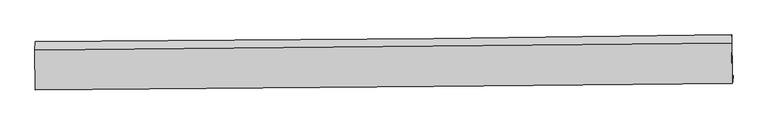
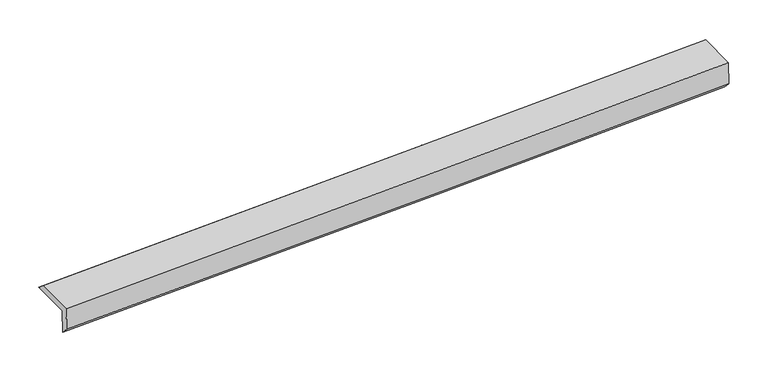
"""IFC4 building model written with IfcOpenShell, lengths in millimetres: proxy geometry."""

import ifcopenshell
import ifcopenshell.guid

model = None  # the IFC model being written
_history = None  # IfcOwnerHistory: only IFC2X3 demands one
_inside = {}  # id of a spatial element -> (the spatial element, [elements in it])
_under = {}  # id of a project, library or spatial element -> (it, [spatial elements below it])
_declared = {}  # id of a project -> (the project, [libraries it declares])
_typed = {}  # id of a type object -> (the type object, [elements of that type])
_made_of = {}  # id of a material, layer set ... -> (it, [elements and type objects made of it])


def new_model(schema):
    """Start an empty IFC model of exactly this schema.

    Asked for "IFC4X3", IfcOpenShell would pick the latest addendum, in which some entities
    have other attributes; the version numbers below select the first issue.
    IFC2X3 requires an IfcOwnerHistory on every rooted entity: one is made here for all.
    """
    global model, _history
    if schema == "IFC4X3":
        model = ifcopenshell.file(schema_version=(4, 3, 0, 0))
    else:
        model = ifcopenshell.file(schema=schema)
    _inside.clear()
    _under.clear()
    _declared.clear()
    _typed.clear()
    _made_of.clear()
    _history = None
    if model.schema == "IFC2X3":
        org = make("IfcOrganization", Name="unknown")
        user = make(
            "IfcPersonAndOrganization",
            ThePerson=make("IfcPerson", FamilyName="unknown"),
            TheOrganization=org,
        )
        app = make(
            "IfcApplication",
            ApplicationDeveloper=org,
            Version="unknown",
            ApplicationFullName="unknown",
            ApplicationIdentifier="unknown",
        )
        _history = make(
            "IfcOwnerHistory",
            OwningUser=user,
            OwningApplication=app,
            ChangeAction="ADDED",
            CreationDate=0,
        )
    return model


def make(cls, **values):
    """One entity of the class cls with the attributes given. An attribute that is None is left unset."""
    return model.create_entity(
        cls, **{name: value for name, value in values.items() if value is not None}
    )


def rooted(cls, **values):
    """An entity with a GlobalId (a new one), such as an element, a storey or a relation."""
    return make(cls, GlobalId=ifcopenshell.guid.new(), OwnerHistory=_history, **values)


def si_unit(unit_type, name, prefix=None):
    """IfcSIUnit, for example si_unit("LENGTHUNIT", "METRE", prefix="MILLI")."""
    return make("IfcSIUnit", UnitType=unit_type, Prefix=prefix, Name=name)


def assignment(units):
    """IfcUnitAssignment: the units of a project."""
    return None if units is None else make("IfcUnitAssignment", Units=units)


def point(xyz):
    """IfcCartesianPoint."""
    return None if xyz is None else make("IfcCartesianPoint", Coordinates=xyz)


def direction(xyz):
    """IfcDirection."""
    return None if xyz is None else make("IfcDirection", DirectionRatios=xyz)


def frame(location, z_axis=None, x_axis=None):
    """IfcAxis2Placement3D, a coordinate frame: its origin and axes. An axis left out is left unset."""
    return make(
        "IfcAxis2Placement3D",
        Location=point(location),
        Axis=direction(z_axis),
        RefDirection=direction(x_axis),
    )


def origin():
    """The frame at (0, 0, 0) with its axes left unset."""
    return frame((0.0, 0.0, 0.0))


def place(relative_to, where):
    """IfcLocalPlacement: puts the frame where relative to a parent placement (None: the world)."""
    return make(
        "IfcLocalPlacement", PlacementRelTo=relative_to, RelativePlacement=where
    )


def context(
    kind, dimensions, precision=None, world=None, true_north=None, identifier=None
):
    """IfcGeometricRepresentationContext, for example the 3D "Model" context."""
    return make(
        "IfcGeometricRepresentationContext",
        ContextIdentifier=identifier,
        ContextType=kind,
        CoordinateSpaceDimension=dimensions,
        Precision=precision,
        WorldCoordinateSystem=world,
        TrueNorth=true_north,
    )


def project(units=None, contexts=None):
    """IfcProject with its units and contexts."""
    return rooted(
        "IfcProject",
        Name="project",
        RepresentationContexts=contexts,
        UnitsInContext=assignment(units),
    )


def spatial(cls, under=None, at=None, **own):
    """A site, building, storey or space (cls), placed at a placement, below another one or the project."""
    s = rooted(cls, ObjectPlacement=at, **own)
    if under is not None:
        _under.setdefault(under.id(), (under, []))[1].append(s)
    return s


def shape(context_of_items, identifier, shape_type, items):
    """IfcShapeRepresentation: the items that make up one representation, for example the "Body"."""
    return make(
        "IfcShapeRepresentation",
        ContextOfItems=context_of_items,
        RepresentationIdentifier=identifier,
        RepresentationType=shape_type,
        Items=items,
    )


def source(mapping_origin, context_of_items, identifier, shape_type, items):
    """IfcRepresentationMap: a shape defined once, which mapped items show again and again."""
    return make(
        "IfcRepresentationMap",
        MappingOrigin=mapping_origin,
        MappedRepresentation=shape(context_of_items, identifier, shape_type, items),
    )


def transform(
    local_origin,
    x_axis=None,
    y_axis=None,
    z_axis=None,
    scale=None,
    scale2=None,
    scale3=None,
    uniform=True,
):
    """IfcCartesianTransformationOperator3D, or its non-uniform kind. x_axis, y_axis, z_axis: its Axis1, 2, 3."""
    if uniform:
        return make(
            "IfcCartesianTransformationOperator3D",
            Axis1=direction(x_axis),
            Axis2=direction(y_axis),
            LocalOrigin=point(local_origin),
            Scale=scale,
            Axis3=direction(z_axis),
        )
    return make(
        "IfcCartesianTransformationOperator3DnonUniform",
        Axis1=direction(x_axis),
        Axis2=direction(y_axis),
        LocalOrigin=point(local_origin),
        Scale=scale,
        Axis3=direction(z_axis),
        Scale2=scale2,
        Scale3=scale3,
    )


def mapped(mapping_source, mapping_target):
    """IfcMappedItem: shows the shape of a source again, moved by a transform."""
    return make(
        "IfcMappedItem", MappingSource=mapping_source, MappingTarget=mapping_target
    )


def made_of(thing, what):
    """Note that an element or type object is made of a material, layer set ...; save() writes the relation."""
    if what is not None:
        _made_of.setdefault(what.id(), (what, []))[1].append(thing)
    return thing


def element(
    cls,
    number,
    at=None,
    inside=None,
    cuts=None,
    type_object=None,
    material=None,
    context=None,
    identifier="Body",
    shape_type=None,
    held_by="IfcProductDefinitionShape",
    body=None,
    shapes=None,
    **own,
):
    """One element of the class cls, such as IfcWall. Its Tag is "e" and its number.

    at: its placement. inside: the storey or other place that contains it. cuts: it is an
    opening in that element (IfcRelVoidsElement). A single representation is given by context,
    identifier, shape_type and body (its items); several are given by shapes. held_by: the class
    of the entity that holds the representations. save() writes the other relations.
    """
    e = rooted(cls, Tag="e%d" % number, ObjectPlacement=at, **own)
    if body is not None:
        shapes = [shape(context, identifier, shape_type, body)]
    if shapes is not None:
        e.Representation = make(held_by, Representations=shapes)
    if inside is not None:
        _inside.setdefault(inside.id(), (inside, []))[1].append(e)
    if cuts is not None:
        rooted(
            "IfcRelVoidsElement", RelatingBuildingElement=cuts, RelatedOpeningElement=e
        )
    if type_object is not None:
        _typed.setdefault(type_object.id(), (type_object, []))[1].append(e)
    return made_of(e, material)


def aggregate(whole, parts):
    """IfcRelAggregates: a whole, such as a stair, and the parts it consists of."""
    return rooted("IfcRelAggregates", RelatingObject=whole, RelatedObjects=parts)


def save(model, path):
    """Write the relations noted so far, then the file.

    IfcRelAggregates (storeys below a building ...), IfcRelContainedInSpatialStructure (elements
    in a storey), IfcRelDefinesByType, IfcRelAssociatesMaterial and IfcRelDeclares: one each for
    every whole, place, type object, material and project.
    """
    for whole, parts in _under.values():
        aggregate(whole, parts)
    for where, things in _inside.values():
        rooted(
            "IfcRelContainedInSpatialStructure",
            RelatedElements=things,
            RelatingStructure=where,
        )
    for kind, things in _typed.values():
        rooted("IfcRelDefinesByType", RelatedObjects=things, RelatingType=kind)
    for what, things in _made_of.values():
        rooted("IfcRelAssociatesMaterial", RelatedObjects=things, RelatingMaterial=what)
    for by, libraries in _declared.values():
        rooted("IfcRelDeclares", RelatingContext=by, RelatedDefinitions=libraries)
    model.write(path)


def plane_surface(at):
    """IfcPlane: the flat surface through the origin of the frame at, square to its z axis."""
    return make("IfcPlane", Position=at)


def spline_curve(degree, points, multiplicities, knots, weights=None):
    """IfcBSplineCurveWithKnots; with weights, IfcRationalBSplineCurveWithKnots."""
    own = dict(
        Degree=degree,
        ControlPointsList=[point(p) for p in points],
        CurveForm="UNSPECIFIED",
        ClosedCurve=False,
        SelfIntersect=False,
        KnotMultiplicities=multiplicities,
        Knots=knots,
        KnotSpec="UNSPECIFIED",
    )
    if weights is None:
        return make("IfcBSplineCurveWithKnots", **own)
    return make("IfcRationalBSplineCurveWithKnots", WeightsData=weights, **own)


def spline_surface(u_degree, v_degree, points, u_multiplicities, v_multiplicities, u_knots, v_knots, weights=None):
    """IfcBSplineSurfaceWithKnots; with weights, IfcRationalBSplineSurfaceWithKnots. points: one row for each step in u."""
    own = dict(
        UDegree=u_degree,
        VDegree=v_degree,
        ControlPointsList=[[point(p) for p in row] for row in points],
        SurfaceForm="UNSPECIFIED",
        UClosed=False,
        VClosed=False,
        SelfIntersect=False,
        UMultiplicities=u_multiplicities,
        VMultiplicities=v_multiplicities,
        UKnots=u_knots,
        VKnots=v_knots,
        KnotSpec="UNSPECIFIED",
    )
    if weights is None:
        return make("IfcBSplineSurfaceWithKnots", **own)
    return make("IfcRationalBSplineSurfaceWithKnots", WeightsData=weights, **own)


def advanced_brep(points, edges, surfaces, faces):
    """IfcAdvancedBrep: a solid bounded by faces that lie on surfaces and meet in shared edges.

    An edge is (start, end): straight between two places in points (the first is 0);
    or (start, end, curve); or (start, end, curve, False) where it runs against its curve.
    A face is (place in surfaces, loops), or (place, loops, False) where it looks against
    its surface's normal. A loop lists edges by number (the first is 1), with a minus sign
    where the edge is run from its end to its start. The first loop is the outer one.
    """
    corners = [point(p) for p in points]
    vertices = [make("IfcVertexPoint", VertexGeometry=c) for c in corners]
    made = []
    for start, end, *more in edges:
        made.append(
            make(
                "IfcEdgeCurve",
                EdgeStart=vertices[start],
                EdgeEnd=vertices[end],
                EdgeGeometry=more[0] if more else make("IfcPolyline", Points=[corners[start], corners[end]]),
                SameSense=more[1] if len(more) > 1 else True,
            )
        )
    hull = []
    for where, loops, *sense in faces:
        bounds = []
        for j, loop in enumerate(loops):
            ring = [make("IfcOrientedEdge", EdgeElement=made[abs(k) - 1], Orientation=k > 0) for k in loop]
            bounds.append(
                make(
                    "IfcFaceOuterBound" if j == 0 else "IfcFaceBound",
                    Bound=make("IfcEdgeLoop", EdgeList=ring),
                    Orientation=True,
                )
            )
        hull.append(make("IfcAdvancedFace", Bounds=bounds, FaceSurface=surfaces[where], SameSense=sense[0] if sense else True))
    return make("IfcAdvancedBrep", Outer=make("IfcClosedShell", CfsFaces=hull))


def generic_models_4d5e8591(model_context):
    return source(origin(), model_context, "Body", "AdvancedBrep", [
        advanced_brep(
        [(-5941.2091161, -1864.2007152, 1440.1078555), (-5954.3466305, -1873.3040066, 1836.6130927), (5394.394386, -1759.9587153, 2215.2362491), (5407.5319005, -1750.8554239, 1818.7310119), (-5943.9531902, -1983.5363599, 1562.6978306), (5404.7878264, -1870.1910685, 1941.320987), (-5956.6472269, -1992.3323552, 1945.818401), (5391.7627258, -1879.2164657, 2334.4334427), (-5964.5884905, -1333.9768931, 1960.6703439), (5383.8214622, -1220.8610036, 2349.2853856), (-5962.4637738, -1200.367569, 1851.7939702), (5386.2772427, -1087.0222777, 2230.4171266)],
        [
            (0, 1),
            (1, 2, spline_curve(3, [(-5954.3466305, -1873.3040066, 1836.6130927), (-3790.575936508, -1856.604340432, 1904.79262462), (-1626.910038625, -1837.096971501, 1975.261793236), (2155.957540634, -1798.080295904, 2102.47656387), (3775.205315187, -1779.805900707, 2158.215113576), (5394.394386, -1759.9587153, 2215.2362491)], [4, 2, 4], [0.0, 21.308101359481874, 37.25604316899238])),
            (2, 3),
            (3, 0, spline_curve(3, [(5407.5319005, -1750.8554239, 1818.7310119), (3788.439304103, -1770.63576032, 1758.798166015), (2169.246707009, -1788.871921176, 1701.394301848), (-1613.588447074, -1827.866128895, 1573.200895681), (-3777.3095223, -1847.411731863, 1504.397040927), (-5941.2091161, -1864.2007152, 1440.1078555)], [4, 2, 4], [0.0, 15.947941809510503, 37.25604316899238])),
            (4, 0),
            (3, 5),
            (5, 4, spline_curve(3, [(5404.7878264, -1870.1910685, 1941.320987), (3785.598755587, -1890.038253907, 1884.299851476), (2166.350981034, -1908.312649104, 1828.56130167), (-1616.516598225, -1947.329324701, 1701.346531036), (-3780.182496208, -1966.836693732, 1630.87736252), (-5943.9531902, -1983.5363599, 1562.6978306)], [4, 2, 4], [0.0, 15.947941809510503, 37.25604316899238])),
            (6, 4),
            (5, 7),
            (7, 6, spline_curve(3, [(5391.7627258, -1879.2164657, 2334.4334427), (3772.538299174, -1899.08815001, 2278.479379815), (2153.290525261, -1917.362544837, 2222.74082962), (-1629.49446042, -1956.321989325, 2093.033267736), (-3793.050004025, -1975.752890955, 2019.233470046), (-5956.6472269, -1992.3323552, 1945.818401)], [4, 2, 4], [0.0, 15.947928749109572, 37.25601265854365])),
            (8, 6),
            (7, 9),
            (9, 8, spline_curve(3, [(5383.8214622, -1220.8610036, 2349.2853856), (3764.597035739, -1240.732687702, 2293.331322334), (2145.349261498, -1259.007082465, 2237.592772994), (-1637.435723802, -1297.966527588, 2107.885210236), (-3800.991267132, -1317.397429295, 2034.085413434), (-5964.5884905, -1333.9768931, 1960.6703439)], [4, 2, 4], [0.0, 15.94792900928056, 37.256013266330015])),
            (10, 8),
            (9, 11),
            (11, 10, spline_curve(3, [(5386.2772427, -1087.0222777, 2230.4171266), (3767.158449598, -1112.695706997, 2173.26455606), (2147.95086988, -1134.302345278, 2117.450833287), (-1634.893089611, -1175.277242199, 1990.191887362), (-3798.599181505, -1191.452367989, 1919.797891183), (-5962.4637738, -1200.367569, 1851.7939702)], [4, 2, 4], [0.0, 15.947955916449189, 37.256076124261654])),
            (1, 10),
            (11, 2),
        ],
        [
            spline_surface(3, 3, [[(-5941.2091161, -1864.2007152, 1440.1078555), (-3777.309522546, -1847.41173157, 1504.397040977), (-1613.588447275, -1827.866128919, 1573.200895681), (2169.246707159, -1788.871921158, 1701.394301847), (3788.439304146, -1770.635760071, 1758.798165949), (5407.5319005, -1750.8554239, 1818.7310119)], [(-5945.588287587, -1867.23514567, 1572.276267911), (-3781.731660664, -1850.475934625, 1637.862235526), (-1618.028977827, -1830.943076522, 1707.221194968), (2164.816985077, -1791.941379318, 1835.088389097), (3784.027974499, -1773.692473683, 1891.937148461), (5403.152729013, -1753.88985437, 1950.899424311)], [(-5949.967459013, -1870.26957613, 1704.444680289), (-3786.15379872, -1853.540137669, 1771.327430043), (-1622.469508409, -1834.020024179, 1841.241494282), (2160.387262967, -1795.010837533, 1968.782476372), (3779.616644814, -1776.749187285, 2025.07613094), (5398.773557487, -1756.92428483, 2083.067836689)], [(-5954.3466305, -1873.3040066, 1836.6130927), (-3790.575936838, -1856.604340724, 1904.792624592), (-1626.910038961, -1837.096971782, 1975.261793568), (2155.957540885, -1798.080295693, 2102.476563621), (3775.205315167, -1779.805900897, 2158.215113452), (5394.394386, -1759.9587153, 2215.2362491)]], [4, 4], [4, 2, 4], [0.0, 1.3186776145995402], [0.0, 21.308101359481874, 37.25604316899238]),
            spline_surface(3, 3, [[(-5943.9531902, -1983.5363599, 1562.6978306), (-3780.182496538, -1966.836694024, 1630.877362492), (-1616.516598561, -1947.329324982, 1701.346531368), (2166.350981285, -1908.312648893, 1828.561301421), (3785.598755567, -1890.038254097, 1884.299851352), (5404.7878264, -1870.1910685, 1941.320987)], [(-5943.038498833, -1943.757811676, 1521.834505569), (-3779.22483854, -1927.028373215, 1588.717255322), (-1615.540548129, -1907.508259625, 1658.631319461), (2167.316223247, -1868.499072978, 1786.172301551), (3786.545605094, -1850.23742273, 1842.46595622), (5405.702517767, -1830.412520276, 1900.457661969)], [(-5942.123807467, -1903.979263424, 1480.971180531), (-3778.267180544, -1887.220052379, 1546.557148146), (-1614.564497707, -1867.687194276, 1615.916107589), (2168.281465197, -1828.685497073, 1743.783301717), (3787.492454619, -1810.436591437, 1800.632061081), (5406.617209133, -1790.633972124, 1859.594336931)], [(-5941.2091161, -1864.2007152, 1440.1078555), (-3777.309522546, -1847.41173157, 1504.397040977), (-1613.588447275, -1827.866128919, 1573.200895681), (2169.246707159, -1788.871921158, 1701.394301847), (3788.439304146, -1770.635760071, 1758.798165949), (5407.5319005, -1750.8554239, 1818.7310119)]], [4, 4], [4, 2, 4], [0.0, 0.5737491509745841], [0.0, 21.308101359481874, 37.25604316899238]),
            spline_surface(3, 3, [[(-5956.6472269, -1992.3323552, 1945.818401), (-3793.050003701, -1975.75289107, 2019.233470218), (-1629.494460313, -1956.321989348, 2093.033267538), (2153.290525181, -1917.362544819, 2222.740829767), (3772.538299363, -1899.088150023, 2278.479379698), (5391.7627258, -1879.2164657, 2334.4334427)], [(-5952.415881332, -1989.400356771, 1818.111544197), (-3788.760834646, -1972.780825393, 1889.781434307), (-1625.168506389, -1953.324434573, 1962.471022151), (2157.644010556, -1914.345912858, 2091.347653655), (3776.891784738, -1896.071518062, 2147.086203585), (5396.104425973, -1876.207999981, 2203.395957469)], [(-5948.184535768, -1986.468358329, 1690.404687403), (-3784.471665593, -1969.808759702, 1760.329398403), (-1620.842552485, -1950.326879757, 1831.908776756), (2161.99749591, -1911.329280855, 1959.954477534), (3781.245270192, -1893.054886058, 2015.693027464), (5400.446126227, -1873.199534219, 2072.358472231)], [(-5943.9531902, -1983.5363599, 1562.6978306), (-3780.182496538, -1966.836694024, 1630.877362492), (-1616.516598561, -1947.329324982, 1701.346531368), (2166.350981285, -1908.312648893, 1828.561301421), (3785.598755567, -1890.038254097, 1884.299851352), (5404.7878264, -1870.1910685, 1941.320987)]], [4, 4], [4, 2, 4], [0.0, 1.288723185164814], [0.0, 21.30808390943408, 37.25601265854365]),
            spline_surface(3, 3, [[(-5964.5884905, -1333.9768931, 1960.6703439), (-3800.991267301, -1317.39742897, 2034.085413118), (-1637.435723913, -1297.966527248, 2107.885210538), (2145.349261581, -1259.007082719, 2237.592772767), (3764.597035763, -1240.732687923, 2293.331322598), (5383.8214622, -1220.8610036, 2349.2853856)], [(-5961.941402636, -1553.428713798, 1955.719696254), (-3798.344179437, -1536.849249668, 2029.134765472), (-1634.788636049, -1517.418347946, 2102.934562893), (2147.996349445, -1478.458903417, 2232.642125122), (3767.244123627, -1460.184508621, 2288.380674952), (5386.468550064, -1440.312824298, 2344.334737954)], [(-5959.294314764, -1772.880534502, 1950.769048646), (-3795.697091565, -1756.301070372, 2024.184117864), (-1632.141548177, -1736.87016865, 2097.983915184), (2150.643437317, -1697.910724121, 2227.691477413), (3769.891211499, -1679.636329325, 2283.430027343), (5389.115637936, -1659.764645002, 2339.384090346)], [(-5956.6472269, -1992.3323552, 1945.818401), (-3793.050003701, -1975.75289107, 2019.233470218), (-1629.494460313, -1956.321989348, 2093.033267538), (2153.290525181, -1917.362544819, 2222.740829767), (3772.538299363, -1899.088150023, 2278.479379698), (5391.7627258, -1879.2164657, 2334.4334427)]], [4, 4], [4, 2, 4], [0.0, 2.160665503118131], [0.0, 21.308084257049455, 37.256013266330015]),
            spline_surface(3, 3, [[(-5962.4637738, -1200.367569, 1851.7939702), (-3798.599181792, -1191.452368179, 1919.797891138), (-1634.893089472, -1175.27724238, 1990.191887395), (2147.950869776, -1134.302345143, 2117.450833263), (3767.158449614, -1112.695707203, 2173.264555812), (5386.2772427, -1087.0222777, 2230.4171266)], [(-5963.172012677, -1244.90401036, 1888.086094794), (-3799.396543605, -1233.434055102, 1957.893731825), (-1635.740634296, -1216.173670674, 2029.422995089), (2147.083667033, -1175.870591007, 2157.49814641), (3766.304645015, -1155.374700793, 2213.286811429), (5385.458649218, -1131.63518635, 2270.039879622)], [(-5963.880251623, -1289.44045174, 1924.378219306), (-3800.193905488, -1275.415742047, 1995.98957243), (-1636.588179089, -1257.070098953, 2068.654102845), (2146.216464323, -1217.438836856, 2197.54545962), (3765.450840362, -1198.053694333, 2253.30906698), (5384.640055682, -1176.24809495, 2309.662632578)], [(-5964.5884905, -1333.9768931, 1960.6703439), (-3800.991267301, -1317.39742897, 2034.085413118), (-1637.435723913, -1297.966527248, 2107.885210538), (2145.349261581, -1259.007082719, 2237.592772767), (3764.597035763, -1240.732687923, 2293.331322598), (5383.8214622, -1220.8610036, 2349.2853856)]], [4, 4], [4, 2, 4], [0.0, 0.5618068866183346], [0.0, 21.308120207812465, 37.256076124261654]),
            spline_surface(3, 3, [[(-5954.3466305, -1873.3040066, 1836.6130927), (-3790.575936838, -1856.604340724, 1904.792624592), (-1626.910038961, -1837.096971782, 1975.261793568), (2155.957540885, -1798.080295693, 2102.476563621), (3775.205315167, -1779.805900897, 2158.215113452), (5394.394386, -1759.9587153, 2215.2362491)], [(-5957.052344935, -1648.991860725, 1841.673385175), (-3793.250351824, -1634.887016534, 1909.794380082), (-1629.571055805, -1616.490395319, 1980.238491529), (2153.288650508, -1576.820978847, 2107.467986853), (3772.523026648, -1557.435836324, 2163.231594213), (5391.688671565, -1535.646569425, 2220.296541575)], [(-5959.758059365, -1424.679714875, 1846.733677725), (-3795.924766805, -1413.169692368, 1914.796135648), (-1632.232072628, -1395.883818843, 1985.215189435), (2150.619760152, -1355.561661989, 2112.459410031), (3769.840738134, -1335.065771776, 2168.24807505), (5388.982957135, -1311.334423575, 2225.356834125)], [(-5962.4637738, -1200.367569, 1851.7939702), (-3798.599181792, -1191.452368179, 1919.797891138), (-1634.893089472, -1175.27724238, 1990.191887395), (2147.950869776, -1134.302345143, 2117.450833263), (3767.158449614, -1112.695707203, 2173.264555812), (5386.2772427, -1087.0222777, 2230.4171266)]], [4, 4], [4, 2, 4], [0.0, 2.1750171252717045], [0.0, 21.308124981494586, 37.25608447078227]),
            plane_surface(frame((5394.7625906, -1594.6841591, 2148.2373671), z_axis=(0.9993790893362376, 0.011301935763785008, 0.0333721747188239), x_axis=(0.012058328497605849, -0.9996729535510845, -0.022551777142723373))),
            plane_surface(frame((-5953.8680713, -1707.9529832, 1766.2835823), z_axis=(-0.9993790893362375, -0.011301935763783138, -0.0333721747188276), x_axis=(0.03310638173096701, 0.022940187149247327, -0.9991885284080483))),
        ],
        [
            (0, [[1, 2, 3, 4]]),
            (1, [[5, -4, 6, 7]]),
            (2, [[8, -7, 9, 10]]),
            (3, [[11, -10, 12, 13]]),
            (4, [[14, -13, 15, 16]]),
            (5, [[17, -16, 18, -2]]),
            (6, [[-12, -9, -6, -3, -18, -15]]),
            (7, [[-1, -5, -8, -11, -14, -17]]),
        ],
    ),
    ])


if __name__ == "__main__":
    model = new_model("IFC4")
    model_context = context("Model", 3, world=origin())
    ifc_project = project(units=[si_unit("LENGTHUNIT", "METRE", prefix="MILLI")], contexts=[model_context])
    site = spatial("IfcSite", under=ifc_project)
    building = spatial("IfcBuilding", under=site)
    placement = place(None, origin())
    generic_models_shape = generic_models_4d5e8591(model_context)
    element("IfcBuildingElementProxy", 1, Name="Generic Models", at=placement, inside=building, context=model_context, shape_type="MappedRepresentation", body=[
        mapped(generic_models_shape, transform((0.0, 0.0, 0.0), x_axis=(1.0, 0.0, 0.0), y_axis=(0.0, 1.0, 0.0), z_axis=(0.0, 0.0, 1.0))),
    ])
    save(model, "model.ifc")
